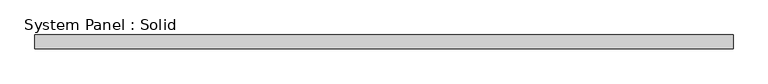
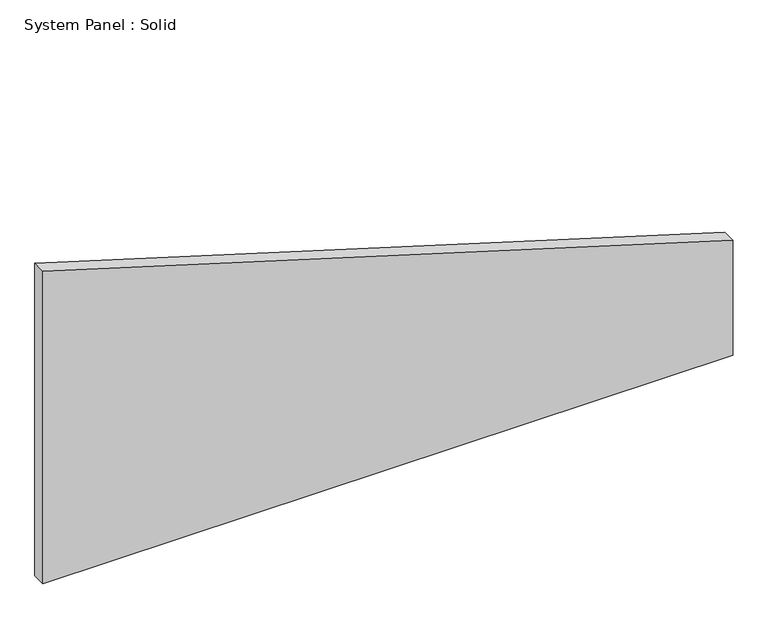
"""IFC4 building model written with IfcOpenShell, lengths in millimetres: plate geometry, System Panel : Solid."""

from ifc_helpers import new_model, si_unit, frame, origin, place, context, project, spatial, polyline, outline, extrude, source, transform, mapped, element, save


def system_panel_solid_3e579d91(model_context):
    return source(origin(), model_context, "Body", "SweptSolid", [
        extrude(outline(polyline([(0.0, -1500.0), (0.0, 1500.0), (528.2729723, 1500.0), (1435.4691931, -1500.0), (0.0, -1500.0)])), frame((0.0, -10.5, 0.0), z_axis=(0.0, 1.0, 0.0), x_axis=(0.0, 0.0, 1.0)), (0.0, 0.0, 1.0), 60.0),
    ])


if __name__ == "__main__":
    model = new_model("IFC4")
    model_context = context("Model", 3, world=origin())
    ifc_project = project(units=[si_unit("LENGTHUNIT", "METRE", prefix="MILLI")], contexts=[model_context])
    site = spatial("IfcSite", under=ifc_project)
    building = spatial("IfcBuilding", under=site)
    placement = place(None, origin())
    system_panel_solid_shape = system_panel_solid_3e579d91(model_context)
    element("IfcPlate", 1, ObjectType="System Panel : Solid", at=placement, inside=building, context=model_context, shape_type="MappedRepresentation", body=[
        mapped(system_panel_solid_shape, transform((0.0, 0.0, 0.0), x_axis=(1.0, 0.0, 0.0), y_axis=(0.0, 1.0, 0.0), z_axis=(0.0, 0.0, 1.0))),
    ])
    save(model, "model.ifc")
